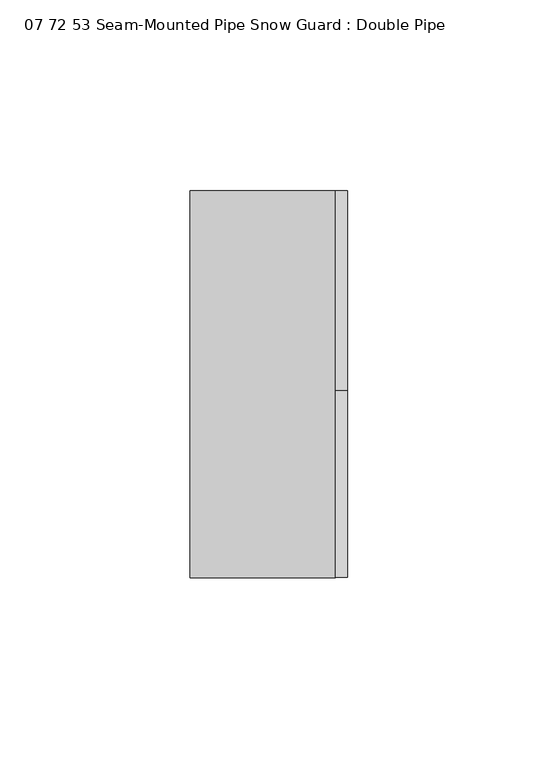
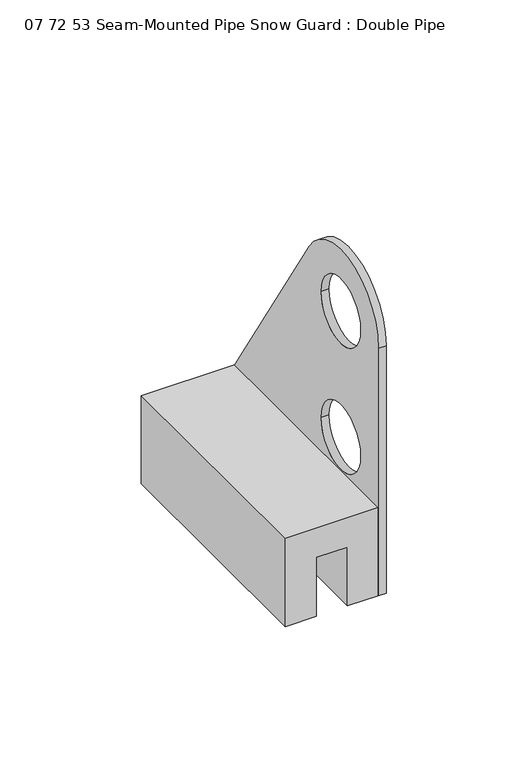
"""IFC4 building model written with IfcOpenShell, lengths in millimetres: proxy geometry, 07 72 53 Seam-Mounted Pipe Snow Guard : Double Pipe."""

from ifc_helpers import new_model, si_unit, point, frame, frame_2d, origin, place, context, project, spatial, polyline, circle_curve, trimmed, segment, composite_curve, outline, extrude, source, transform, mapped, element, save


def proxy_07_72_53_seam_mounted_pipe_snow_guard_double_pipe_f9caa5f0(model_context):
    return source(origin(), model_context, "Body", "SweptSolid", [
        extrude(outline(composite_curve([segment(trimmed(circle_curve(frame_2d((1.190625, 106.759375)), 26.590625), [point((-25.4, 106.759375))], [point((23.6487459, 120.9964443))], False, "CARTESIAN"), True, "CONTINUOUS"), segment(polyline([(23.6487459, 120.9964443), (76.2, 38.1), (76.2, 0.0), (-25.4, 0.0), (-25.4, 106.759375)]), True, "CONTINUOUS")], self_intersect=False), holes=[composite_curve([segment(trimmed(circle_curve(frame_2d((1.190625, 52.3875)), 13.890625), [point((15.08125, 52.3875))], [point((-12.7, 52.3875))], True, "CARTESIAN"), True, "CONTINUOUS"), segment(trimmed(circle_curve(frame_2d((1.190625, 52.3875)), 13.890625), [point((-12.7, 52.3875))], [point((15.08125, 52.3875))], True, "CARTESIAN"), True, "CONTINUOUS")], self_intersect=False), composite_curve([segment(trimmed(circle_curve(frame_2d((1.190625, 106.759375)), 13.890625), [point((15.08125, 106.759375))], [point((-12.7, 106.759375))], True, "CARTESIAN"), True, "CONTINUOUS"), segment(trimmed(circle_curve(frame_2d((1.190625, 106.759375)), 13.890625), [point((-12.7, 106.759375))], [point((15.08125, 106.759375))], True, "CARTESIAN"), True, "CONTINUOUS")], self_intersect=False)]), frame((19.05, 0.0, 0.0), z_axis=(1.0, 0.0, 0.0), x_axis=(0.0, 1.0, 0.0)), (0.0, 0.0, 1.0), 3.175),
        extrude(outline(polyline([(38.1, -19.05), (0.0, -19.05), (0.0, -6.35), (25.4, -6.35), (25.4, 6.35), (0.0, 6.35), (0.0, 19.05), (38.1, 19.05), (38.1, -19.05)])), frame((0.0, -25.4, 0.0), z_axis=(0.0, 1.0, 0.0), x_axis=(0.0, 0.0, 1.0)), (0.0, 0.0, 1.0), 101.6),
    ])


if __name__ == "__main__":
    model = new_model("IFC4")
    model_context = context("Model", 3, world=origin())
    ifc_project = project(units=[si_unit("LENGTHUNIT", "METRE", prefix="MILLI")], contexts=[model_context])
    site = spatial("IfcSite", under=ifc_project)
    building = spatial("IfcBuilding", under=site)
    placement = place(None, origin())
    proxy_07_72_53_seam_mounted_pipe_snow_guard_double_pipe_shape = proxy_07_72_53_seam_mounted_pipe_snow_guard_double_pipe_f9caa5f0(model_context)
    element("IfcBuildingElementProxy", 1, Name="07 72 53 Seam-Mounted Pipe Snow Guard : Double Pipe", ObjectType="07 72 53 Seam-Mounted Pipe Snow Guard : Double Pipe", at=placement, inside=building, context=model_context, shape_type="MappedRepresentation", body=[
        mapped(proxy_07_72_53_seam_mounted_pipe_snow_guard_double_pipe_shape, transform((0.0, 0.0, 0.0), x_axis=(1.0, 0.0, 0.0), y_axis=(0.0, 1.0, 0.0), z_axis=(0.0, 0.0, 1.0))),
    ])
    save(model, "model.ifc")
